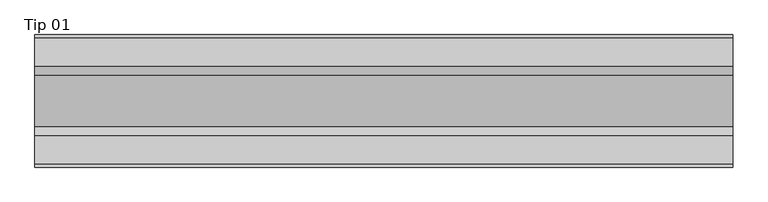
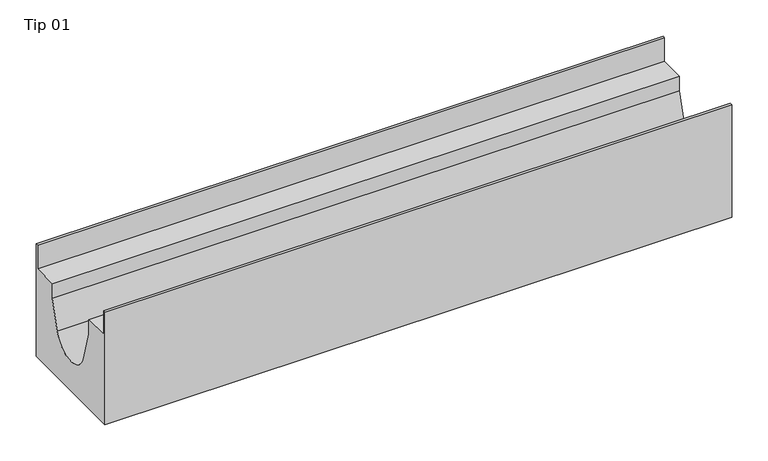
"""IFC4 building model written with IfcOpenShell, lengths in millimetres: proxy geometry, Tip 01."""

from ifc_helpers import new_model, si_unit, point, frame, frame_2d, origin, place, context, project, spatial, polyline, circle_curve, trimmed, segment, composite_curve, outline, extrude, source, transform, mapped, element, save


def tip_01_c69ea61e(model_context):
    return source(origin(), model_context, "Body", "SweptSolid", [
        extrude(outline(composite_curve([segment(polyline([(-95.0, -190.0), (-95.0, 0.0), (-91.0, 0.0), (-91.0, -40.0), (-50.0, -40.0), (-50.0, -65.0), (-36.3982692, -112.9163555)]), True, "CONTINUOUS"), segment(trimmed(circle_curve(frame_2d((0.0, -102.0000377)), 38.0), [point((-36.3982692, -112.9163555))], [point((36.6773461, -111.9384623))], True, "CARTESIAN"), True, "CONTINUOUS"), segment(polyline([(36.6773461, -111.9384623), (50.0, -65.0), (50.0, -40.0), (91.0, -40.0), (91.0, 0.0), (95.0, 0.0), (95.0, -190.0), (-95.0, -190.0)]), True, "CONTINUOUS")], self_intersect=False)), frame((0.0, 0.0, 0.0), z_axis=(1.0, 0.0, 0.0), x_axis=(0.0, 1.0, 0.0)), (0.0, 0.0, 1.0), 1000.0),
    ])


if __name__ == "__main__":
    model = new_model("IFC4")
    model_context = context("Model", 3, world=origin())
    ifc_project = project(units=[si_unit("LENGTHUNIT", "METRE", prefix="MILLI")], contexts=[model_context])
    site = spatial("IfcSite", under=ifc_project)
    building = spatial("IfcBuilding", under=site)
    placement = place(None, origin())
    tip_01_shape = tip_01_c69ea61e(model_context)
    element("IfcBuildingElementProxy", 1, Name="Tip 01", ObjectType="Tip 01", at=placement, inside=building, context=model_context, shape_type="MappedRepresentation", body=[
        mapped(tip_01_shape, transform((0.0, 0.0, 0.0), x_axis=(1.0, 0.0, 0.0), y_axis=(0.0, 1.0, 0.0), z_axis=(0.0, 0.0, 1.0))),
    ])
    save(model, "model.ifc")
